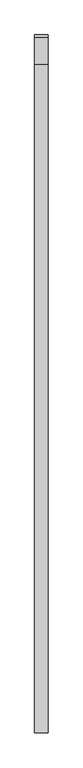
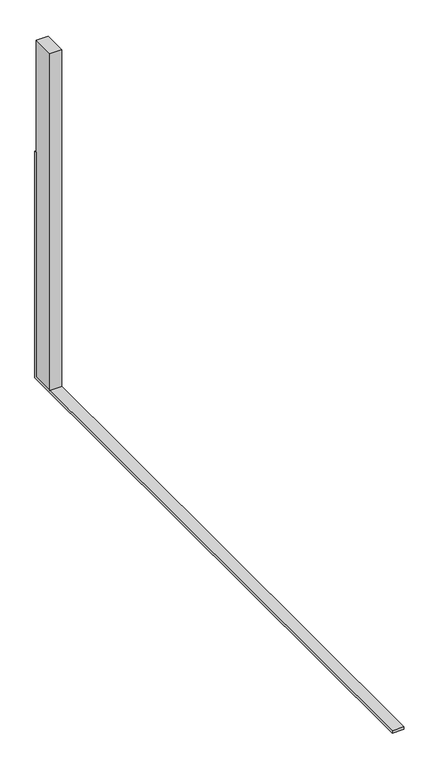
"""IFC4 building model written with IfcOpenShell, lengths in millimetres: plate geometry."""

import ifcopenshell
import ifcopenshell.guid

model = None  # the IFC model being written
_history = None  # IfcOwnerHistory: only IFC2X3 demands one
_inside = {}  # id of a spatial element -> (the spatial element, [elements in it])
_under = {}  # id of a project, library or spatial element -> (it, [spatial elements below it])
_declared = {}  # id of a project -> (the project, [libraries it declares])
_typed = {}  # id of a type object -> (the type object, [elements of that type])
_made_of = {}  # id of a material, layer set ... -> (it, [elements and type objects made of it])


def new_model(schema):
    """Start an empty IFC model of exactly this schema.

    Asked for "IFC4X3", IfcOpenShell would pick the latest addendum, in which some entities
    have other attributes; the version numbers below select the first issue.
    IFC2X3 requires an IfcOwnerHistory on every rooted entity: one is made here for all.
    """
    global model, _history
    if schema == "IFC4X3":
        model = ifcopenshell.file(schema_version=(4, 3, 0, 0))
    else:
        model = ifcopenshell.file(schema=schema)
    _inside.clear()
    _under.clear()
    _declared.clear()
    _typed.clear()
    _made_of.clear()
    _history = None
    if model.schema == "IFC2X3":
        org = make("IfcOrganization", Name="unknown")
        user = make(
            "IfcPersonAndOrganization",
            ThePerson=make("IfcPerson", FamilyName="unknown"),
            TheOrganization=org,
        )
        app = make(
            "IfcApplication",
            ApplicationDeveloper=org,
            Version="unknown",
            ApplicationFullName="unknown",
            ApplicationIdentifier="unknown",
        )
        _history = make(
            "IfcOwnerHistory",
            OwningUser=user,
            OwningApplication=app,
            ChangeAction="ADDED",
            CreationDate=0,
        )
    return model


def make(cls, **values):
    """One entity of the class cls with the attributes given. An attribute that is None is left unset."""
    return model.create_entity(
        cls, **{name: value for name, value in values.items() if value is not None}
    )


def rooted(cls, **values):
    """An entity with a GlobalId (a new one), such as an element, a storey or a relation."""
    return make(cls, GlobalId=ifcopenshell.guid.new(), OwnerHistory=_history, **values)


def si_unit(unit_type, name, prefix=None):
    """IfcSIUnit, for example si_unit("LENGTHUNIT", "METRE", prefix="MILLI")."""
    return make("IfcSIUnit", UnitType=unit_type, Prefix=prefix, Name=name)


def assignment(units):
    """IfcUnitAssignment: the units of a project."""
    return None if units is None else make("IfcUnitAssignment", Units=units)


def point(xyz):
    """IfcCartesianPoint."""
    return None if xyz is None else make("IfcCartesianPoint", Coordinates=xyz)


def direction(xyz):
    """IfcDirection."""
    return None if xyz is None else make("IfcDirection", DirectionRatios=xyz)


def frame(location, z_axis=None, x_axis=None):
    """IfcAxis2Placement3D, a coordinate frame: its origin and axes. An axis left out is left unset."""
    return make(
        "IfcAxis2Placement3D",
        Location=point(location),
        Axis=direction(z_axis),
        RefDirection=direction(x_axis),
    )


def origin():
    """The frame at (0, 0, 0) with its axes left unset."""
    return frame((0.0, 0.0, 0.0))


def origin_with_axes():
    """The frame at (0, 0, 0) with the z axis (0, 0, 1) and the x axis (1, 0, 0) written out."""
    return frame((0.0, 0.0, 0.0), z_axis=(0.0, 0.0, 1.0), x_axis=(1.0, 0.0, 0.0))


def place(relative_to, where):
    """IfcLocalPlacement: puts the frame where relative to a parent placement (None: the world)."""
    return make(
        "IfcLocalPlacement", PlacementRelTo=relative_to, RelativePlacement=where
    )


def context(
    kind, dimensions, precision=None, world=None, true_north=None, identifier=None
):
    """IfcGeometricRepresentationContext, for example the 3D "Model" context."""
    return make(
        "IfcGeometricRepresentationContext",
        ContextIdentifier=identifier,
        ContextType=kind,
        CoordinateSpaceDimension=dimensions,
        Precision=precision,
        WorldCoordinateSystem=world,
        TrueNorth=true_north,
    )


def project(units=None, contexts=None):
    """IfcProject with its units and contexts."""
    return rooted(
        "IfcProject",
        Name="project",
        RepresentationContexts=contexts,
        UnitsInContext=assignment(units),
    )


def spatial(cls, under=None, at=None, **own):
    """A site, building, storey or space (cls), placed at a placement, below another one or the project."""
    s = rooted(cls, ObjectPlacement=at, **own)
    if under is not None:
        _under.setdefault(under.id(), (under, []))[1].append(s)
    return s


def polyline(points):
    """IfcPolyline through the points."""
    return make("IfcPolyline", Points=[point(p) for p in points])


def outline(outer, holes=None, kind="AREA"):
    """IfcArbitraryClosedProfileDef: a profile drawn as a closed curve; with holes, ...WithVoids."""
    if holes is None:
        return make("IfcArbitraryClosedProfileDef", ProfileType=kind, OuterCurve=outer)
    return make(
        "IfcArbitraryProfileDefWithVoids",
        ProfileType=kind,
        OuterCurve=outer,
        InnerCurves=holes,
    )


def extrude(swept, where, along, depth):
    """IfcExtrudedAreaSolid: the profile swept, set in the frame where, extruded along a direction by depth."""
    return make(
        "IfcExtrudedAreaSolid",
        SweptArea=swept,
        Position=where,
        ExtrudedDirection=direction(along),
        Depth=depth,
    )


def shape(context_of_items, identifier, shape_type, items):
    """IfcShapeRepresentation: the items that make up one representation, for example the "Body"."""
    return make(
        "IfcShapeRepresentation",
        ContextOfItems=context_of_items,
        RepresentationIdentifier=identifier,
        RepresentationType=shape_type,
        Items=items,
    )


def source(mapping_origin, context_of_items, identifier, shape_type, items):
    """IfcRepresentationMap: a shape defined once, which mapped items show again and again."""
    return make(
        "IfcRepresentationMap",
        MappingOrigin=mapping_origin,
        MappedRepresentation=shape(context_of_items, identifier, shape_type, items),
    )


def transform(
    local_origin,
    x_axis=None,
    y_axis=None,
    z_axis=None,
    scale=None,
    scale2=None,
    scale3=None,
    uniform=True,
):
    """IfcCartesianTransformationOperator3D, or its non-uniform kind. x_axis, y_axis, z_axis: its Axis1, 2, 3."""
    if uniform:
        return make(
            "IfcCartesianTransformationOperator3D",
            Axis1=direction(x_axis),
            Axis2=direction(y_axis),
            LocalOrigin=point(local_origin),
            Scale=scale,
            Axis3=direction(z_axis),
        )
    return make(
        "IfcCartesianTransformationOperator3DnonUniform",
        Axis1=direction(x_axis),
        Axis2=direction(y_axis),
        LocalOrigin=point(local_origin),
        Scale=scale,
        Axis3=direction(z_axis),
        Scale2=scale2,
        Scale3=scale3,
    )


def mapped(mapping_source, mapping_target):
    """IfcMappedItem: shows the shape of a source again, moved by a transform."""
    return make(
        "IfcMappedItem", MappingSource=mapping_source, MappingTarget=mapping_target
    )


def made_of(thing, what):
    """Note that an element or type object is made of a material, layer set ...; save() writes the relation."""
    if what is not None:
        _made_of.setdefault(what.id(), (what, []))[1].append(thing)
    return thing


def element(
    cls,
    number,
    at=None,
    inside=None,
    cuts=None,
    type_object=None,
    material=None,
    context=None,
    identifier="Body",
    shape_type=None,
    held_by="IfcProductDefinitionShape",
    body=None,
    shapes=None,
    **own,
):
    """One element of the class cls, such as IfcWall. Its Tag is "e" and its number.

    at: its placement. inside: the storey or other place that contains it. cuts: it is an
    opening in that element (IfcRelVoidsElement). A single representation is given by context,
    identifier, shape_type and body (its items); several are given by shapes. held_by: the class
    of the entity that holds the representations. save() writes the other relations.
    """
    e = rooted(cls, Tag="e%d" % number, ObjectPlacement=at, **own)
    if body is not None:
        shapes = [shape(context, identifier, shape_type, body)]
    if shapes is not None:
        e.Representation = make(held_by, Representations=shapes)
    if inside is not None:
        _inside.setdefault(inside.id(), (inside, []))[1].append(e)
    if cuts is not None:
        rooted(
            "IfcRelVoidsElement", RelatingBuildingElement=cuts, RelatedOpeningElement=e
        )
    if type_object is not None:
        _typed.setdefault(type_object.id(), (type_object, []))[1].append(e)
    return made_of(e, material)


def aggregate(whole, parts):
    """IfcRelAggregates: a whole, such as a stair, and the parts it consists of."""
    return rooted("IfcRelAggregates", RelatingObject=whole, RelatedObjects=parts)


def save(model, path):
    """Write the relations noted so far, then the file.

    IfcRelAggregates (storeys below a building ...), IfcRelContainedInSpatialStructure (elements
    in a storey), IfcRelDefinesByType, IfcRelAssociatesMaterial and IfcRelDeclares: one each for
    every whole, place, type object, material and project.
    """
    for whole, parts in _under.values():
        aggregate(whole, parts)
    for where, things in _inside.values():
        rooted(
            "IfcRelContainedInSpatialStructure",
            RelatedElements=things,
            RelatingStructure=where,
        )
    for kind, things in _typed.values():
        rooted("IfcRelDefinesByType", RelatedObjects=things, RelatingType=kind)
    for what, things in _made_of.values():
        rooted("IfcRelAssociatesMaterial", RelatedObjects=things, RelatingMaterial=what)
    for by, libraries in _declared.values():
        rooted("IfcRelDeclares", RelatingContext=by, RelatedDefinitions=libraries)
    model.write(path)


def plate_53f91262(model_context):
    return source(origin(), model_context, "Body", "SweptSolid", [
        extrude(outline(polyline([(110.0, 1000.0), (110.0, -10.0), (-2500.0, -10.0), (-2500.0, 0.0), (100.0, 0.0), (100.0, 1000.0), (110.0, 1000.0)])), frame((25.0, 0.0, 0.0), z_axis=(1.0, 0.0, 0.0), x_axis=(0.0, 1.0, 0.0)), (0.0, 0.0, 1.0), 50.0),
        extrude(outline(polyline([(75.0, 100.0), (75.0, 0.0), (25.0, 0.0), (25.0, 100.0), (75.0, 100.0)])), origin_with_axes(), (0.0, 0.0, 1.0), 1500.0),
    ])


if __name__ == "__main__":
    model = new_model("IFC4")
    model_context = context("Model", 3, world=origin())
    ifc_project = project(units=[si_unit("LENGTHUNIT", "METRE", prefix="MILLI")], contexts=[model_context])
    site = spatial("IfcSite", under=ifc_project)
    building = spatial("IfcBuilding", under=site)
    placement = place(None, origin())
    plate_shape = plate_53f91262(model_context)
    element("IfcPlate", 1, at=placement, inside=building, context=model_context, shape_type="MappedRepresentation", body=[
        mapped(plate_shape, transform((0.0, 0.0, 0.0), x_axis=(1.0, 0.0, 0.0), y_axis=(0.0, 1.0, 0.0), z_axis=(0.0, 0.0, 1.0))),
    ])
    save(model, "model.ifc")
